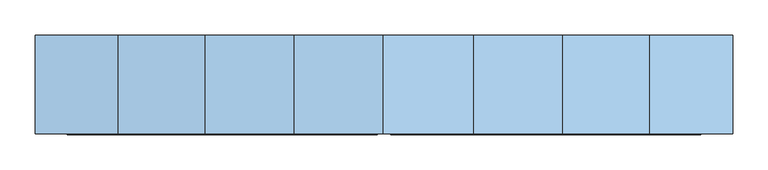
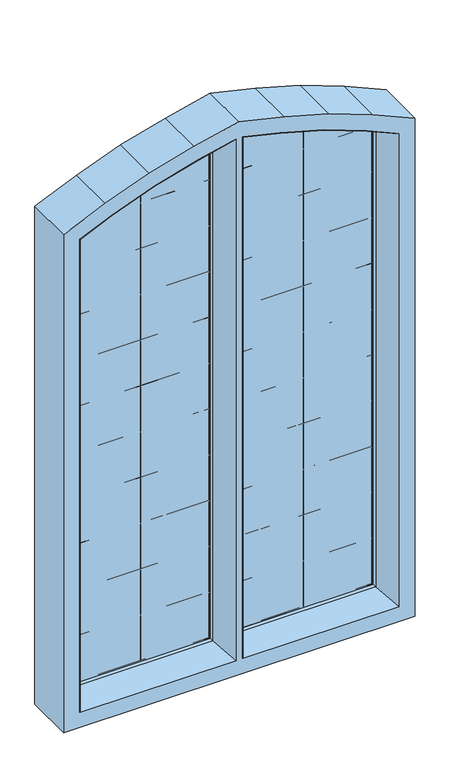
"""IFC4 building model written with IfcOpenShell, lengths in millimetres: window geometry."""

import ifcopenshell
import ifcopenshell.guid

model = None  # the IFC model being written
_history = None  # IfcOwnerHistory: only IFC2X3 demands one
_inside = {}  # id of a spatial element -> (the spatial element, [elements in it])
_under = {}  # id of a project, library or spatial element -> (it, [spatial elements below it])
_declared = {}  # id of a project -> (the project, [libraries it declares])
_typed = {}  # id of a type object -> (the type object, [elements of that type])
_made_of = {}  # id of a material, layer set ... -> (it, [elements and type objects made of it])


def new_model(schema):
    """Start an empty IFC model of exactly this schema.

    Asked for "IFC4X3", IfcOpenShell would pick the latest addendum, in which some entities
    have other attributes; the version numbers below select the first issue.
    IFC2X3 requires an IfcOwnerHistory on every rooted entity: one is made here for all.
    """
    global model, _history
    if schema == "IFC4X3":
        model = ifcopenshell.file(schema_version=(4, 3, 0, 0))
    else:
        model = ifcopenshell.file(schema=schema)
    _inside.clear()
    _under.clear()
    _declared.clear()
    _typed.clear()
    _made_of.clear()
    _history = None
    if model.schema == "IFC2X3":
        org = make("IfcOrganization", Name="unknown")
        user = make(
            "IfcPersonAndOrganization",
            ThePerson=make("IfcPerson", FamilyName="unknown"),
            TheOrganization=org,
        )
        app = make(
            "IfcApplication",
            ApplicationDeveloper=org,
            Version="unknown",
            ApplicationFullName="unknown",
            ApplicationIdentifier="unknown",
        )
        _history = make(
            "IfcOwnerHistory",
            OwningUser=user,
            OwningApplication=app,
            ChangeAction="ADDED",
            CreationDate=0,
        )
    return model


def make(cls, **values):
    """One entity of the class cls with the attributes given. An attribute that is None is left unset."""
    return model.create_entity(
        cls, **{name: value for name, value in values.items() if value is not None}
    )


def rooted(cls, **values):
    """An entity with a GlobalId (a new one), such as an element, a storey or a relation."""
    return make(cls, GlobalId=ifcopenshell.guid.new(), OwnerHistory=_history, **values)


def si_unit(unit_type, name, prefix=None):
    """IfcSIUnit, for example si_unit("LENGTHUNIT", "METRE", prefix="MILLI")."""
    return make("IfcSIUnit", UnitType=unit_type, Prefix=prefix, Name=name)


def assignment(units):
    """IfcUnitAssignment: the units of a project."""
    return None if units is None else make("IfcUnitAssignment", Units=units)


def point(xyz):
    """IfcCartesianPoint."""
    return None if xyz is None else make("IfcCartesianPoint", Coordinates=xyz)


def direction(xyz):
    """IfcDirection."""
    return None if xyz is None else make("IfcDirection", DirectionRatios=xyz)


def frame(location, z_axis=None, x_axis=None):
    """IfcAxis2Placement3D, a coordinate frame: its origin and axes. An axis left out is left unset."""
    return make(
        "IfcAxis2Placement3D",
        Location=point(location),
        Axis=direction(z_axis),
        RefDirection=direction(x_axis),
    )


def origin():
    """The frame at (0, 0, 0) with its axes left unset."""
    return frame((0.0, 0.0, 0.0))


def place(relative_to, where):
    """IfcLocalPlacement: puts the frame where relative to a parent placement (None: the world)."""
    return make(
        "IfcLocalPlacement", PlacementRelTo=relative_to, RelativePlacement=where
    )


def context(
    kind, dimensions, precision=None, world=None, true_north=None, identifier=None
):
    """IfcGeometricRepresentationContext, for example the 3D "Model" context."""
    return make(
        "IfcGeometricRepresentationContext",
        ContextIdentifier=identifier,
        ContextType=kind,
        CoordinateSpaceDimension=dimensions,
        Precision=precision,
        WorldCoordinateSystem=world,
        TrueNorth=true_north,
    )


def project(units=None, contexts=None):
    """IfcProject with its units and contexts."""
    return rooted(
        "IfcProject",
        Name="project",
        RepresentationContexts=contexts,
        UnitsInContext=assignment(units),
    )


def spatial(cls, under=None, at=None, **own):
    """A site, building, storey or space (cls), placed at a placement, below another one or the project."""
    s = rooted(cls, ObjectPlacement=at, **own)
    if under is not None:
        _under.setdefault(under.id(), (under, []))[1].append(s)
    return s


def polyline(points):
    """IfcPolyline through the points."""
    return make("IfcPolyline", Points=[point(p) for p in points])


def outline(outer, holes=None, kind="AREA"):
    """IfcArbitraryClosedProfileDef: a profile drawn as a closed curve; with holes, ...WithVoids."""
    if holes is None:
        return make("IfcArbitraryClosedProfileDef", ProfileType=kind, OuterCurve=outer)
    return make(
        "IfcArbitraryProfileDefWithVoids",
        ProfileType=kind,
        OuterCurve=outer,
        InnerCurves=holes,
    )


def extrude(swept, where, along, depth):
    """IfcExtrudedAreaSolid: the profile swept, set in the frame where, extruded along a direction by depth."""
    return make(
        "IfcExtrudedAreaSolid",
        SweptArea=swept,
        Position=where,
        ExtrudedDirection=direction(along),
        Depth=depth,
    )


def faces_of(points, faces, orient=None, outer=None):
    """IfcFace entities. A face is a list of loops; a loop is a list of indices into points, from 0.

    orient and outer hold one flag for each loop. By default every Orientation is true, the
    first loop of a face is its IfcFaceOuterBound and the others are IfcFaceBound.
    """
    made = []
    for i, loops in enumerate(faces):
        bounds = []
        for j, loop in enumerate(loops):
            is_outer = j == 0 if outer is None else outer[i][j]
            bounds.append(
                make(
                    "IfcFaceOuterBound" if is_outer else "IfcFaceBound",
                    Bound=make("IfcPolyLoop", Polygon=[points[k] for k in loop]),
                    Orientation=True if orient is None else orient[i][j],
                )
            )
        made.append(make("IfcFace", Bounds=bounds))
    return made


def faceted_brep(points, faces, orient=None, outer=None, voids=None):
    """IfcFacetedBrep: a solid bounded by flat faces; with voids (closed shells), ...WithVoids."""
    shared = [point(p) for p in points]
    hull = make("IfcClosedShell", CfsFaces=faces_of(shared, faces, orient, outer))
    if voids is None:
        return make("IfcFacetedBrep", Outer=hull)
    return make(
        "IfcFacetedBrepWithVoids",
        Outer=hull,
        Voids=[
            make(cls, CfsFaces=faces_of(shared, fs, o, b)) for cls, fs, o, b in voids
        ],
    )


def shape(context_of_items, identifier, shape_type, items):
    """IfcShapeRepresentation: the items that make up one representation, for example the "Body"."""
    return make(
        "IfcShapeRepresentation",
        ContextOfItems=context_of_items,
        RepresentationIdentifier=identifier,
        RepresentationType=shape_type,
        Items=items,
    )


def source(mapping_origin, context_of_items, identifier, shape_type, items):
    """IfcRepresentationMap: a shape defined once, which mapped items show again and again."""
    return make(
        "IfcRepresentationMap",
        MappingOrigin=mapping_origin,
        MappedRepresentation=shape(context_of_items, identifier, shape_type, items),
    )


def transform(
    local_origin,
    x_axis=None,
    y_axis=None,
    z_axis=None,
    scale=None,
    scale2=None,
    scale3=None,
    uniform=True,
):
    """IfcCartesianTransformationOperator3D, or its non-uniform kind. x_axis, y_axis, z_axis: its Axis1, 2, 3."""
    if uniform:
        return make(
            "IfcCartesianTransformationOperator3D",
            Axis1=direction(x_axis),
            Axis2=direction(y_axis),
            LocalOrigin=point(local_origin),
            Scale=scale,
            Axis3=direction(z_axis),
        )
    return make(
        "IfcCartesianTransformationOperator3DnonUniform",
        Axis1=direction(x_axis),
        Axis2=direction(y_axis),
        LocalOrigin=point(local_origin),
        Scale=scale,
        Axis3=direction(z_axis),
        Scale2=scale2,
        Scale3=scale3,
    )


def mapped(mapping_source, mapping_target):
    """IfcMappedItem: shows the shape of a source again, moved by a transform."""
    return make(
        "IfcMappedItem", MappingSource=mapping_source, MappingTarget=mapping_target
    )


def made_of(thing, what):
    """Note that an element or type object is made of a material, layer set ...; save() writes the relation."""
    if what is not None:
        _made_of.setdefault(what.id(), (what, []))[1].append(thing)
    return thing


def element(
    cls,
    number,
    at=None,
    inside=None,
    cuts=None,
    type_object=None,
    material=None,
    context=None,
    identifier="Body",
    shape_type=None,
    held_by="IfcProductDefinitionShape",
    body=None,
    shapes=None,
    **own,
):
    """One element of the class cls, such as IfcWall. Its Tag is "e" and its number.

    at: its placement. inside: the storey or other place that contains it. cuts: it is an
    opening in that element (IfcRelVoidsElement). A single representation is given by context,
    identifier, shape_type and body (its items); several are given by shapes. held_by: the class
    of the entity that holds the representations. save() writes the other relations.
    """
    e = rooted(cls, Tag="e%d" % number, ObjectPlacement=at, **own)
    if body is not None:
        shapes = [shape(context, identifier, shape_type, body)]
    if shapes is not None:
        e.Representation = make(held_by, Representations=shapes)
    if inside is not None:
        _inside.setdefault(inside.id(), (inside, []))[1].append(e)
    if cuts is not None:
        rooted(
            "IfcRelVoidsElement", RelatingBuildingElement=cuts, RelatedOpeningElement=e
        )
    if type_object is not None:
        _typed.setdefault(type_object.id(), (type_object, []))[1].append(e)
    return made_of(e, material)


def aggregate(whole, parts):
    """IfcRelAggregates: a whole, such as a stair, and the parts it consists of."""
    return rooted("IfcRelAggregates", RelatingObject=whole, RelatedObjects=parts)


def save(model, path):
    """Write the relations noted so far, then the file.

    IfcRelAggregates (storeys below a building ...), IfcRelContainedInSpatialStructure (elements
    in a storey), IfcRelDefinesByType, IfcRelAssociatesMaterial and IfcRelDeclares: one each for
    every whole, place, type object, material and project.
    """
    for whole, parts in _under.values():
        aggregate(whole, parts)
    for where, things in _inside.values():
        rooted(
            "IfcRelContainedInSpatialStructure",
            RelatedElements=things,
            RelatingStructure=where,
        )
    for kind, things in _typed.values():
        rooted("IfcRelDefinesByType", RelatedObjects=things, RelatingType=kind)
    for what, things in _made_of.values():
        rooted("IfcRelAssociatesMaterial", RelatedObjects=things, RelatingMaterial=what)
    for by, libraries in _declared.values():
        rooted("IfcRelDeclares", RelatingContext=by, RelatedDefinitions=libraries)
    model.write(path)


def window_9e5752db(model_context):
    return source(origin(), model_context, "Body", "SolidModel", [
        extrude(outline(polyline([(2245.051906, 433.98317), (2277.4424601, 360.1327464), (2322.2508399, 239.9657132), (2356.9551058, 117.4785419), (2374.4932671, 42.3148572), (871.3989666, 42.3148572), (871.3989666, 433.98317), (2245.051906, 433.98317)])), frame((0.0, -404.0, 0.0), z_axis=(0.0, 1.0, 0.0), x_axis=(0.0, 0.0, 1.0)), (0.0, 0.0, 1.0), 4.0),
        extrude(outline(polyline([(2245.051906, -417.0672796), (871.3989666, -417.0672796), (871.3989666, -25.3989668), (2374.4932671, -25.3989668), (2356.9551058, -100.5626516), (2322.2508399, -223.0498228), (2277.4424601, -343.216856), (2245.051906, -417.0672796)])), frame((0.0, -404.0, 0.0), z_axis=(0.0, 1.0, 0.0), x_axis=(0.0, 0.0, 1.0)), (0.0, 0.0, 1.0), 4.0),
        extrude(outline(polyline([(2245.051906, 436.0981941), (2277.4424601, 362.2477705), (2322.2508399, 242.0807373), (2356.9551058, 119.593566), (2374.4932671, 44.4298813), (871.3989666, 44.4298813), (871.3989666, 436.0981941), (2245.051906, 436.0981941)]), holes=[polyline([(875.3989666, 339.3981941), (1008.4959666, 339.3981941), (1008.4959666, 432.0981941), (875.3989666, 432.0981941), (875.3989666, 339.3981941)]), polyline([(875.3989666, 242.6981941), (1008.4959666, 242.6981941), (1008.4959666, 335.3981941), (875.3989666, 335.3981941), (875.3989666, 242.6981941)]), polyline([(875.3989666, 145.5981941), (1008.4959666, 145.5981941), (1008.4959666, 238.2981941), (875.3989666, 238.2981941), (875.3989666, 145.5981941)]), polyline([(875.3989666, 48.4981941), (1008.4959666, 48.4981941), (1008.4959666, 141.1981941), (875.3989666, 141.1981941), (875.3989666, 48.4981941)]), polyline([(2346.6764182, 141.1981941), (2246.3672848, 141.1981941), (2246.3672848, 48.4981941), (2369.4365504, 48.4981941), (2353.0810414, 118.5933597), (2346.6764182, 141.1981941)]), polyline([(2319.1650945, 238.2981941), (2246.3672848, 238.2981941), (2246.3672848, 145.5981941), (2345.4297671, 145.5981941), (2319.1650945, 238.2981941)]), polyline([(2317.7515626, 242.6981941), (2283.1852035, 335.3981941), (2246.3672848, 335.3981941), (2246.3672848, 242.6981941), (2317.7515626, 242.6981941)]), polyline([(2109.2702848, 432.0981941), (2109.2702848, 339.3981941), (2242.3672848, 339.3981941), (2242.3672848, 432.0981941), (2109.2702848, 432.0981941)]), polyline([(2105.2702848, 432.0981941), (1972.1732848, 432.0981941), (1972.1732848, 339.3981941), (2105.2702848, 339.3981941), (2105.2702848, 432.0981941)]), polyline([(1012.4959666, 339.3981941), (1145.5929666, 339.3981941), (1145.5929666, 432.0981941), (1012.4959666, 432.0981941), (1012.4959666, 339.3981941)]), polyline([(1968.1732848, 432.0981941), (1835.0762848, 432.0981941), (1835.0762848, 339.3981941), (1968.1732848, 339.3981941), (1968.1732848, 432.0981941)]), polyline([(1149.5929666, 339.3981941), (1282.6899666, 339.3981941), (1282.6899666, 432.0981941), (1149.5929666, 432.0981941), (1149.5929666, 339.3981941)]), polyline([(1831.0762848, 432.0981941), (1697.9792848, 432.0981941), (1697.9792848, 339.3981941), (1831.0762848, 339.3981941), (1831.0762848, 432.0981941)]), polyline([(1286.6899666, 339.3981941), (1419.7869666, 339.3981941), (1419.7869666, 432.0981941), (1286.6899666, 432.0981941), (1286.6899666, 339.3981941)]), polyline([(1693.9792848, 432.0981941), (1560.8822848, 432.0981941), (1560.8822848, 339.3981941), (1693.9792848, 339.3981941), (1693.9792848, 432.0981941)]), polyline([(1423.7869666, 339.3981941), (1556.8839666, 339.3981941), (1556.8839666, 432.0981941), (1423.7869666, 432.0981941), (1423.7869666, 339.3981941)]), polyline([(2242.3672848, 141.1981941), (2109.2702848, 141.1981941), (2109.2702848, 48.4981941), (2242.3672848, 48.4981941), (2242.3672848, 141.1981941)]), polyline([(2242.3672848, 335.3981941), (2109.2702848, 335.3981941), (2109.2702848, 242.6981941), (2242.3672848, 242.6981941), (2242.3672848, 335.3981941)]), polyline([(2242.3672848, 238.2981941), (2109.2702848, 238.2981941), (2109.2702848, 145.5981941), (2242.3672848, 145.5981941), (2242.3672848, 238.2981941)]), polyline([(2105.2702848, 335.3981941), (1972.1732848, 335.3981941), (1972.1732848, 242.6981941), (2105.2702848, 242.6981941), (2105.2702848, 335.3981941)]), polyline([(1012.4959666, 242.6981941), (1145.5929666, 242.6981941), (1145.5929666, 335.3981941), (1012.4959666, 335.3981941), (1012.4959666, 242.6981941)]), polyline([(1968.1732848, 335.3981941), (1835.0762848, 335.3981941), (1835.0762848, 242.6981941), (1968.1732848, 242.6981941), (1968.1732848, 335.3981941)]), polyline([(1149.5929666, 242.6981941), (1282.6899666, 242.6981941), (1282.6899666, 335.3981941), (1149.5929666, 335.3981941), (1149.5929666, 242.6981941)]), polyline([(1831.0762848, 335.3981941), (1697.9792848, 335.3981941), (1697.9792848, 242.6981941), (1831.0762848, 242.6981941), (1831.0762848, 335.3981941)]), polyline([(1286.6899666, 242.6981941), (1419.7869666, 242.6981941), (1419.7869666, 335.3981941), (1286.6899666, 335.3981941), (1286.6899666, 242.6981941)]), polyline([(1693.9792848, 335.3981941), (1560.8822848, 335.3981941), (1560.8822848, 242.6981941), (1693.9792848, 242.6981941), (1693.9792848, 335.3981941)]), polyline([(1423.7869666, 242.6981941), (1556.8839666, 242.6981941), (1556.8839666, 335.3981941), (1423.7869666, 335.3981941), (1423.7869666, 242.6981941)]), polyline([(2105.2702848, 238.2981941), (1972.1732848, 238.2981941), (1972.1732848, 145.5981941), (2105.2702848, 145.5981941), (2105.2702848, 238.2981941)]), polyline([(1012.4959666, 145.5981941), (1145.5929666, 145.5981941), (1145.5929666, 238.2981941), (1012.4959666, 238.2981941), (1012.4959666, 145.5981941)]), polyline([(1968.1732848, 238.2981941), (1835.0762848, 238.2981941), (1835.0762848, 145.5981941), (1968.1732848, 145.5981941), (1968.1732848, 238.2981941)]), polyline([(1149.5929666, 145.5981941), (1282.6899666, 145.5981941), (1282.6899666, 238.2981941), (1149.5929666, 238.2981941), (1149.5929666, 145.5981941)]), polyline([(1831.0762848, 238.2981941), (1697.9792848, 238.2981941), (1697.9792848, 145.5981941), (1831.0762848, 145.5981941), (1831.0762848, 238.2981941)]), polyline([(1286.6899666, 145.5981941), (1419.7869666, 145.5981941), (1419.7869666, 238.2981941), (1286.6899666, 238.2981941), (1286.6899666, 145.5981941)]), polyline([(1693.9792848, 238.2981941), (1560.8822848, 238.2981941), (1560.8822848, 145.5981941), (1693.9792848, 145.5981941), (1693.9792848, 238.2981941)]), polyline([(1423.7869666, 145.5981941), (1556.8839666, 145.5981941), (1556.8839666, 238.2981941), (1423.7869666, 238.2981941), (1423.7869666, 145.5981941)]), polyline([(2105.2702848, 141.1981941), (1972.1732848, 141.1981941), (1972.1732848, 48.4981941), (2105.2702848, 48.4981941), (2105.2702848, 141.1981941)]), polyline([(1012.4959666, 48.4981941), (1145.5929666, 48.4981941), (1145.5929666, 141.1981941), (1012.4959666, 141.1981941), (1012.4959666, 48.4981941)]), polyline([(1968.1732848, 141.1981941), (1835.0762848, 141.1981941), (1835.0762848, 48.4981941), (1968.1732848, 48.4981941), (1968.1732848, 141.1981941)]), polyline([(1149.5929666, 48.4981941), (1282.6899666, 48.4981941), (1282.6899666, 141.1981941), (1149.5929666, 141.1981941), (1149.5929666, 48.4981941)]), polyline([(1831.0762848, 141.1981941), (1697.9792848, 141.1981941), (1697.9792848, 48.4981941), (1831.0762848, 48.4981941), (1831.0762848, 141.1981941)]), polyline([(1286.6899666, 48.4981941), (1419.7869666, 48.4981941), (1419.7869666, 141.1981941), (1286.6899666, 141.1981941), (1286.6899666, 48.4981941)]), polyline([(1693.9792848, 141.1981941), (1560.8822848, 141.1981941), (1560.8822848, 48.4981941), (1693.9792848, 48.4981941), (1693.9792848, 141.1981941)]), polyline([(1423.7869666, 48.4981941), (1556.8839666, 48.4981941), (1556.8839666, 141.1981941), (1423.7869666, 141.1981941), (1423.7869666, 48.4981941)]), polyline([(2246.3672848, 339.3981941), (2281.693667, 339.3981941), (2273.7339751, 360.7444818), (2246.3672848, 423.1405021), (2246.3672848, 339.3981941)])]), frame((0.0, -404.134412, 0.0), z_axis=(0.0, 1.0, 0.0), x_axis=(0.0, 0.0, 1.0)), (0.0, 0.0, 1.0), 6.3176928),
        extrude(outline(polyline([(2245.051906, -417.0672796), (871.3989666, -417.0672796), (871.3989666, -25.3989668), (2374.4932671, -25.3989668), (2356.9551058, -100.5626516), (2322.2508399, -223.0498228), (2277.4424601, -343.216856), (2245.051906, -417.0672796)]), holes=[polyline([(875.3989666, -29.4672796), (875.3989666, -122.1672796), (1008.4959666, -122.1672796), (1008.4959666, -29.4672796), (875.3989666, -29.4672796)]), polyline([(875.3989666, -126.5672796), (875.3989666, -219.2672796), (1008.4959666, -219.2672796), (1008.4959666, -126.5672796), (875.3989666, -126.5672796)]), polyline([(875.3989666, -223.6672796), (875.3989666, -316.3672796), (1008.4959666, -316.3672796), (1008.4959666, -223.6672796), (875.3989666, -223.6672796)]), polyline([(875.3989666, -320.3672796), (875.3989666, -413.0672796), (1008.4959666, -413.0672796), (1008.4959666, -320.3672796), (875.3989666, -320.3672796)]), polyline([(2317.7515626, -223.6672796), (2246.3672848, -223.6672796), (2246.3672848, -316.3672796), (2283.1852035, -316.3672796), (2317.7515626, -223.6672796)]), polyline([(2319.1650945, -219.2672796), (2345.4297671, -126.5672796), (2246.3672848, -126.5672796), (2246.3672848, -219.2672796), (2319.1650945, -219.2672796)]), polyline([(2346.6764182, -122.1672796), (2353.0810414, -99.5624452), (2369.4365504, -29.4672796), (2246.3672848, -29.4672796), (2246.3672848, -122.1672796), (2346.6764182, -122.1672796)]), polyline([(2246.3672848, -320.3672796), (2246.3672848, -404.1095876), (2273.7339751, -341.7135673), (2281.693667, -320.3672796), (2246.3672848, -320.3672796)]), polyline([(2109.2702848, -413.0672796), (2242.3672848, -413.0672796), (2242.3672848, -320.3672796), (2109.2702848, -320.3672796), (2109.2702848, -413.0672796)]), polyline([(2242.3672848, -316.3672796), (2242.3672848, -223.6672796), (2109.2702848, -223.6672796), (2109.2702848, -316.3672796), (2242.3672848, -316.3672796)]), polyline([(2242.3672848, -219.2672796), (2242.3672848, -126.5672796), (2109.2702848, -126.5672796), (2109.2702848, -219.2672796), (2242.3672848, -219.2672796)]), polyline([(2242.3672848, -122.1672796), (2242.3672848, -29.4672796), (2109.2702848, -29.4672796), (2109.2702848, -122.1672796), (2242.3672848, -122.1672796)]), polyline([(2105.2702848, -413.0672796), (2105.2702848, -320.3672796), (1972.1732848, -320.3672796), (1972.1732848, -413.0672796), (2105.2702848, -413.0672796)]), polyline([(1012.4959666, -320.3672796), (1012.4959666, -413.0672796), (1145.5929666, -413.0672796), (1145.5929666, -320.3672796), (1012.4959666, -320.3672796)]), polyline([(1968.1732848, -413.0672796), (1968.1732848, -320.3672796), (1835.0762848, -320.3672796), (1835.0762848, -413.0672796), (1968.1732848, -413.0672796)]), polyline([(1149.5929666, -320.3672796), (1149.5929666, -413.0672796), (1282.6899666, -413.0672796), (1282.6899666, -320.3672796), (1149.5929666, -320.3672796)]), polyline([(1831.0762848, -413.0672796), (1831.0762848, -320.3672796), (1697.9792848, -320.3672796), (1697.9792848, -413.0672796), (1831.0762848, -413.0672796)]), polyline([(1286.6899666, -320.3672796), (1286.6899666, -413.0672796), (1419.7869666, -413.0672796), (1419.7869666, -320.3672796), (1286.6899666, -320.3672796)]), polyline([(1693.9792848, -413.0672796), (1693.9792848, -320.3672796), (1560.8822848, -320.3672796), (1560.8822848, -413.0672796), (1693.9792848, -413.0672796)]), polyline([(1423.7869666, -320.3672796), (1423.7869666, -413.0672796), (1556.8839666, -413.0672796), (1556.8839666, -320.3672796), (1423.7869666, -320.3672796)]), polyline([(2105.2702848, -316.3672796), (2105.2702848, -223.6672796), (1972.1732848, -223.6672796), (1972.1732848, -316.3672796), (2105.2702848, -316.3672796)]), polyline([(1012.4959666, -223.6672796), (1012.4959666, -316.3672796), (1145.5929666, -316.3672796), (1145.5929666, -223.6672796), (1012.4959666, -223.6672796)]), polyline([(1968.1732848, -316.3672796), (1968.1732848, -223.6672796), (1835.0762848, -223.6672796), (1835.0762848, -316.3672796), (1968.1732848, -316.3672796)]), polyline([(1149.5929666, -223.6672796), (1149.5929666, -316.3672796), (1282.6899666, -316.3672796), (1282.6899666, -223.6672796), (1149.5929666, -223.6672796)]), polyline([(1831.0762848, -316.3672796), (1831.0762848, -223.6672796), (1697.9792848, -223.6672796), (1697.9792848, -316.3672796), (1831.0762848, -316.3672796)]), polyline([(1286.6899666, -223.6672796), (1286.6899666, -316.3672796), (1419.7869666, -316.3672796), (1419.7869666, -223.6672796), (1286.6899666, -223.6672796)]), polyline([(1693.9792848, -316.3672796), (1693.9792848, -223.6672796), (1560.8822848, -223.6672796), (1560.8822848, -316.3672796), (1693.9792848, -316.3672796)]), polyline([(1423.7869666, -223.6672796), (1423.7869666, -316.3672796), (1556.8839666, -316.3672796), (1556.8839666, -223.6672796), (1423.7869666, -223.6672796)]), polyline([(2105.2702848, -219.2672796), (2105.2702848, -126.5672796), (1972.1732848, -126.5672796), (1972.1732848, -219.2672796), (2105.2702848, -219.2672796)]), polyline([(1012.4959666, -126.5672796), (1012.4959666, -219.2672796), (1145.5929666, -219.2672796), (1145.5929666, -126.5672796), (1012.4959666, -126.5672796)]), polyline([(1968.1732848, -219.2672796), (1968.1732848, -126.5672796), (1835.0762848, -126.5672796), (1835.0762848, -219.2672796), (1968.1732848, -219.2672796)]), polyline([(1149.5929666, -126.5672796), (1149.5929666, -219.2672796), (1282.6899666, -219.2672796), (1282.6899666, -126.5672796), (1149.5929666, -126.5672796)]), polyline([(1831.0762848, -219.2672796), (1831.0762848, -126.5672796), (1697.9792848, -126.5672796), (1697.9792848, -219.2672796), (1831.0762848, -219.2672796)]), polyline([(1286.6899666, -126.5672796), (1286.6899666, -219.2672796), (1419.7869666, -219.2672796), (1419.7869666, -126.5672796), (1286.6899666, -126.5672796)]), polyline([(1693.9792848, -219.2672796), (1693.9792848, -126.5672796), (1560.8822848, -126.5672796), (1560.8822848, -219.2672796), (1693.9792848, -219.2672796)]), polyline([(1423.7869666, -126.5672796), (1423.7869666, -219.2672796), (1556.8839666, -219.2672796), (1556.8839666, -126.5672796), (1423.7869666, -126.5672796)]), polyline([(2105.2702848, -122.1672796), (2105.2702848, -29.4672796), (1972.1732848, -29.4672796), (1972.1732848, -122.1672796), (2105.2702848, -122.1672796)]), polyline([(1012.4959666, -29.4672796), (1012.4959666, -122.1672796), (1145.5929666, -122.1672796), (1145.5929666, -29.4672796), (1012.4959666, -29.4672796)]), polyline([(1968.1732848, -122.1672796), (1968.1732848, -29.4672796), (1835.0762848, -29.4672796), (1835.0762848, -122.1672796), (1968.1732848, -122.1672796)]), polyline([(1149.5929666, -29.4672796), (1149.5929666, -122.1672796), (1282.6899666, -122.1672796), (1282.6899666, -29.4672796), (1149.5929666, -29.4672796)]), polyline([(1831.0762848, -122.1672796), (1831.0762848, -29.4672796), (1697.9792848, -29.4672796), (1697.9792848, -122.1672796), (1831.0762848, -122.1672796)]), polyline([(1286.6899666, -29.4672796), (1286.6899666, -122.1672796), (1419.7869666, -122.1672796), (1419.7869666, -29.4672796), (1286.6899666, -29.4672796)]), polyline([(1693.9792848, -122.1672796), (1693.9792848, -29.4672796), (1560.8822848, -29.4672796), (1560.8822848, -122.1672796), (1693.9792848, -122.1672796)]), polyline([(1423.7869666, -29.4672796), (1423.7869666, -122.1672796), (1556.8839666, -122.1672796), (1556.8839666, -29.4672796), (1423.7869666, -29.4672796)])]), frame((0.0, -404.134412, 0.0), z_axis=(0.0, 1.0, 0.0), x_axis=(0.0, 0.0, 1.0)), (0.0, 0.0, 1.0), 6.3176928),
        faceted_brep([(44.4298813, -416.6999136, 2374.4932671), (19.0309148, -486.5443802, 2406.500899), (19.0309148, -486.5443802, 846.0000002), (44.4298813, -416.6999136, 871.3989666), (19.0309148, -344.7340221, 2406.500899), (19.0309148, -344.7340221, 846.0000002), (461.4971606, -486.5443802, 846.0000002), (436.0981941, -416.6999136, 871.3989666), (44.4298813, -357.7964528, 2374.4932671), (44.4298813, -357.7964528, 871.3989666), (461.4971606, -344.7340221, 846.0000002), (436.0981941, -357.7964528, 871.3989666), (461.4971606, -486.5443802, 2261.6465468), (436.0981941, -416.6999136, 2245.051906), (461.4971606, -344.7340221, 2261.6465468), (436.0981941, -357.7964528, 2245.051906), (371.7932651, -486.5443802, 2300.9903817), (362.2477705, -416.6999136, 2277.4424601), (371.7932651, -344.7340221, 2300.9903817), (249.9925276, -486.5443802, 2346.407944), (242.0807373, -416.6999136, 2322.2508399), (362.2477705, -357.7964528, 2277.4424601), (249.9925276, -344.7340221, 2346.407944), (242.0807373, -357.7964528, 2322.2508399), (125.9446178, -486.5443802, 2381.5544136), (119.593566, -416.6999136, 2356.9551058), (125.9446178, -344.7340221, 2381.5544136), (119.593566, -357.7964528, 2356.9551058)], [[[0, 1, 2, 3]], [[1, 4, 5, 2]], [[3, 2, 6, 7]], [[8, 0, 3, 9]], [[4, 8, 9, 5]], [[2, 5, 10, 6]], [[5, 9, 11, 10]], [[9, 3, 7, 11]], [[7, 6, 12, 13]], [[6, 10, 14, 12]], [[10, 11, 15, 14]], [[11, 7, 13, 15]], [[13, 12, 16, 17]], [[12, 14, 18, 16]], [[17, 16, 19, 20]], [[14, 15, 21, 18]], [[16, 18, 22, 19]], [[18, 21, 23, 22]], [[20, 19, 24, 25]], [[21, 17, 20, 23]], [[19, 22, 26, 24]], [[22, 23, 27, 26]], [[23, 20, 25, 27]], [[25, 24, 1, 0]], [[24, 26, 4, 1]], [[26, 27, 8, 4]], [[27, 25, 0, 8]], [[15, 13, 17, 21]]]),
        faceted_brep([(-3e-07, -486.5443802, 2406.500899), (-25.3989668, -416.6999136, 2374.4932671), (-25.3989668, -416.6999136, 871.3989666), (-3e-07, -486.5443802, 846.0000002), (-25.3989668, -357.7964528, 2374.4932671), (-25.3989668, -357.7964528, 871.3989666), (-417.0672796, -416.6999136, 871.3989666), (-442.4662461, -486.5443802, 846.0000002), (-3e-07, -344.7340221, 2406.500899), (-3e-07, -344.7340221, 846.0000002), (-442.4662461, -344.7340221, 846.0000002), (-417.0672796, -357.7964528, 871.3989666), (-417.0672796, -416.6999136, 2245.051906), (-442.4662461, -486.5443802, 2261.6465468), (-442.4662461, -344.7340221, 2261.6465468), (-417.0672796, -357.7964528, 2245.051906), (-343.216856, -416.6999136, 2277.4424601), (-352.7623506, -486.5443802, 2300.9903817), (-223.0498228, -416.6999136, 2322.2508399), (-230.9616131, -486.5443802, 2346.407944), (-352.7623506, -344.7340221, 2300.9903817), (-230.9616131, -344.7340221, 2346.407944), (-343.216856, -357.7964528, 2277.4424601), (-223.0498228, -357.7964528, 2322.2508399), (-100.5626516, -416.6999136, 2356.9551058), (-106.9137033, -486.5443802, 2381.5544136), (-106.9137033, -344.7340221, 2381.5544136), (-100.5626516, -357.7964528, 2356.9551058)], [[[0, 1, 2, 3]], [[1, 4, 5, 2]], [[3, 2, 6, 7]], [[8, 0, 3, 9]], [[9, 3, 7, 10]], [[4, 8, 9, 5]], [[5, 9, 10, 11]], [[2, 5, 11, 6]], [[7, 6, 12, 13]], [[10, 7, 13, 14]], [[11, 10, 14, 15]], [[6, 11, 15, 12]], [[13, 12, 16, 17]], [[17, 16, 18, 19]], [[14, 13, 17, 20]], [[20, 17, 19, 21]], [[15, 14, 20, 22]], [[22, 20, 21, 23]], [[16, 22, 23, 18]], [[19, 18, 24, 25]], [[21, 19, 25, 26]], [[23, 21, 26, 27]], [[18, 23, 27, 24]], [[25, 24, 1, 0]], [[26, 25, 0, 8]], [[27, 26, 8, 4]], [[24, 27, 4, 1]], [[12, 15, 22, 16]]]),
        extrude(outline(polyline([(2291.7010562, 507.4971606), (2343.6379595, 389.0810847), (2390.1588104, 264.3215497), (2426.106154, 137.4469906), (2455.7100384, 8.4579452), (2426.1061539, -118.4160761), (2390.1588103, -245.2906352), (2343.6379594, -370.0501702), (2291.7010562, -488.4662461), (800.0000002, -488.4662461), (800.0000002, 507.4971606), (2291.7010562, 507.4971606)]), holes=[polyline([(2381.5544136, -106.9137033), (2406.500899, -3e-07), (846.0000002, -3e-07), (846.0000002, -442.4662461), (2261.6465468, -442.4662461), (2300.9903817, -352.7623506), (2346.407944, -230.9616131), (2381.5544136, -106.9137033)]), polyline([(2300.9903818, 371.7932651), (2261.6465468, 461.4971606), (846.0000002, 461.4971606), (846.0000002, 19.0309148), (2406.0875255, 19.0309148), (2381.5316317, 126.0250257), (2346.4079441, 249.9925276), (2300.9903818, 371.7932651)])]), frame((0.0, -485.3, 0.0), z_axis=(0.0, 1.0, 0.0), x_axis=(0.0, 0.0, 1.0)), (0.0, 0.0, 1.0), 140.2659779),
    ])


if __name__ == "__main__":
    model = new_model("IFC4")
    model_context = context("Model", 3, world=origin())
    ifc_project = project(units=[si_unit("LENGTHUNIT", "METRE", prefix="MILLI")], contexts=[model_context])
    site = spatial("IfcSite", under=ifc_project)
    building = spatial("IfcBuilding", under=site)
    placement = place(None, origin())
    window_shape = window_9e5752db(model_context)
    element("IfcWindow", 1, at=placement, inside=building, context=model_context, shape_type="MappedRepresentation", body=[
        mapped(window_shape, transform((0.0, 0.0, 0.0), x_axis=(1.0, 0.0, 0.0), y_axis=(0.0, 1.0, 0.0), z_axis=(0.0, 0.0, 1.0))),
    ])
    save(model, "model.ifc")
